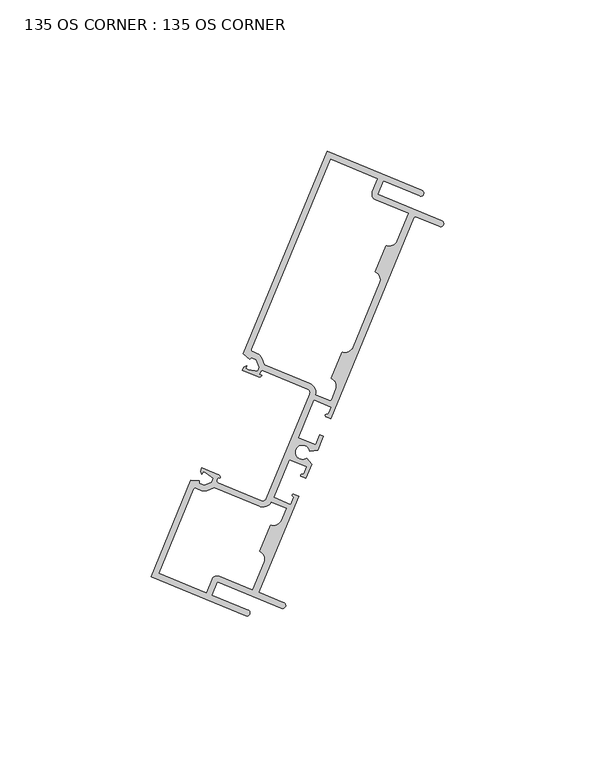
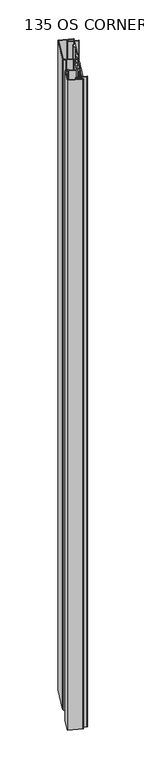
"""IFC4 building model written with IfcOpenShell, lengths in millimetres: plate geometry, 135 OS CORNER : 135 OS CORNER."""

from ifc_helpers import new_model, si_unit, frame, origin, place, context, project, spatial, polyline, circle_curve, source, transform, mapped, element, save
from ifc_brep_helpers import plane_surface, cylinder_surface, revolved_surface, extruded_surface, spline_curve, advanced_brep


def plate_135_os_corner_135_os_corner_0a813ced(model_context):
    return source(origin(), model_context, "Body", "AdvancedBrep", [
        advanced_brep(
        [(-211.5614009, 120.297961, 1710.2666667), (-242.8924083, 133.2667025, 1710.2666667), (-270.6466779, 66.2155375, 1710.2666667), (-268.5911269, 64.3742179, 1710.2666667), (-268.0701682, 64.9557884, 1710.2666667), (-266.3835161, 64.2576381, 1710.2666667), (-265.3671241, 61.8026681, 1710.2666667), (-265.9308866, 60.4406817, 1710.2666667), (-268.9519815, 60.978753, 1710.2666667), (-269.8438005, 61.3479007, 1710.2666667), (-269.4831884, 62.2190984, 1710.2666667), (-270.546587, 61.7783192, 1710.2666667), (-270.9844659, 60.7204537, 1710.2666667), (-265.7733996, 58.5634541, 1710.2666667), (-264.5122671, 59.0861941, 1710.2666667), (-265.3036097, 59.4137519, 1710.2666667), (-264.9441764, 60.2821019, 1710.2666667), (-264.1145931, 60.6259646, 1710.2666667), (-249.3709779, 54.5231882, 1710.2666667), (-248.6832526, 52.8640215, 1710.2666667), (-263.0218235, 18.2236618, 1710.2666667), (-264.6809901, 17.5359365, 1710.2666667), (-279.1495789, 23.5248722, 1710.2666667), (-279.4934416, 24.3544555, 1710.2666667), (-279.1340083, 25.2228055, 1710.2666667), (-278.4114223, 24.9237078, 1710.2666667), (-278.9341623, 26.1848404, 1710.2666667), (-284.3514983, 28.4272206, 1710.2666667), (-284.7893771, 27.369355, 1710.2666667), (-284.3485979, 26.3059564, 1710.2666667), (-283.9879859, 27.1771541, 1710.2666667), (-283.096167, 26.8080064, 1710.2666667), (-280.5785969, 25.0534762, 1710.2666667), (-281.1423595, 23.6914899, 1710.2666667), (-283.5964847, 22.6730598, 1710.2666667), (-285.2831367, 23.3712101, 1710.2666667), (-285.2406595, 24.1508369, 1710.2666667), (-287.996237, 24.300972, 1710.2666667), (-301.1788869, -7.5468139, 1710.2666667), (-269.8478795, -20.5155554, 1710.2666667), (-269.0707265, -18.6380418, 1710.2666667), (-281.1102821, -13.6545479, 1710.2666667), (-279.2839724, -9.2423911, 1710.2666667), (-258.0446004, -18.0339349, 1710.2666667), (-257.2674473, -16.1564214, 1710.2666667), (-265.528507, -12.736948, 1710.2666667), (-252.3620755, 19.0716559, 1710.2666667), (-253.8992898, 19.70795, 1710.2666667), (-253.9088526, 18.6554511, 1710.2666667), (-254.9037739, 16.251834, 1710.2666667), (-260.6536592, 18.6318652, 1710.2666667), (-255.4855914, 31.1173303, 1710.2666667), (-249.7357062, 28.7372991, 1710.2666667), (-250.7321073, 26.330107, 1710.2666667), (-251.4692067, 25.5787549, 1710.2666667), (-249.9319924, 24.9424608, 1710.2666667), (-248.0142985, 29.5753916, 1710.2666667), (-249.6257903, 31.6744643, 1710.2666667), (-248.7029211, 33.9040116, 1710.2666667), (-246.079325, 34.2500681, 1710.2666667), (-244.1616311, 38.8829989, 1710.2666667), (-245.335077, 39.3687196, 1710.2666667), (-246.7048093, 36.059602, 1710.2666667), (-252.4546945, 38.4396332, 1710.2666667), (-247.2866268, 50.9250983, 1710.2666667), (-241.5367415, 48.5450671, 1710.2666667), (-242.350093, 46.5801023, 1710.2666667), (-242.9690952, 46.1140594, 1710.2666667), (-243.270242, 45.3865229, 1710.2666667), (-241.7330278, 44.7502288, 1710.2666667), (-214.1975481, 111.2728222, 1710.2666667), (-213.5338815, 111.5479123, 1710.2666667), (-205.7422003, 108.3227272, 1710.2666667), (-204.9650472, 110.2002407, 1710.2666667), (-226.2044193, 118.9917846, 1710.2666667), (-224.3781096, 123.4039414, 1710.2666667), (-212.3385539, 118.4204475, 1710.2666667), (-216.1154626, 112.6164977, 1710.2666667), (-219.8506545, 103.5926982, 1710.2666667), (-223.500821, 102.0797025, 1710.2666667), (-227.143726, 93.2788578, 1710.2666667), (-225.6307303, 89.6286912, 1710.2666667), (-234.4271313, 68.3775847, 1710.2666667), (-238.0772979, 66.864589, 1710.2666667), (-241.7202028, 58.0637442, 1710.2666667), (-240.2072071, 54.4135776, 1710.2666667), (-241.6011525, 51.0459637, 1710.2666667), (-242.2648192, 50.7708736, 1710.2666667), (-246.6447514, 52.5838446, 1710.2666667), (-248.5938249, 56.4007017, 1710.2666667), (-263.4829375, 62.5637035, 1710.2666667), (-264.4053873, 64.7917673, 1710.2666667), (-265.8495344, 66.2358067, 1710.2666667), (-267.5909282, 66.9566162, 1710.2666667), (-267.8660183, 67.6202828, 1710.2666667), (-241.7920478, 130.6120359, 1710.2666667), (-226.2556232, 124.1810945, 1710.2666667), (-228.0819328, 119.7689376, 1710.2666667), (-226.9815723, 117.114271, 1710.2666667), (-284.6168091, 20.8962013, 1710.2666667), (-282.574553, 20.8971253, 1710.2666667), (-280.3472558, 21.8214247, 1710.2666667), (-265.4581431, 15.6584229, 1710.2666667), (-261.3682264, 17.003208, 1710.2666667), (-256.5225882, 14.9974688, 1710.2666667), (-258.1205849, 11.1368902, 1710.2666667), (-261.7707515, 9.6238945, 1710.2666667), (-265.4136564, 0.8230498, 1710.2666667), (-263.9006607, -2.8271168, 1710.2666667), (-267.6407097, -11.8626508, 1710.2666667), (-278.5068194, -7.3648775, 1710.2666667), (-281.161486, -8.465238, 1710.2666667), (-282.9877957, -12.8773949, 1710.2666667), (-298.5242203, -6.4464534, 1710.2666667), (-287.0218695, 21.3419206, 1710.2666667), (-286.3582028, 21.6170107, 1710.2666667), (-211.5614009, 120.297961, 0.0), (-212.3385539, 118.4204475, 0.0), (-224.3781096, 123.4039414, 0.0), (-226.2044193, 118.9917846, 0.0), (-204.9650472, 110.2002407, 0.0), (-205.7422003, 108.3227272, 0.0), (-213.5338815, 111.5479123, 0.0), (-214.1975481, 111.2728222, 0.0), (-241.7330278, 44.7502288, 0.0), (-243.270242, 45.3865229, 0.0), (-242.9690952, 46.1140594, 0.0), (-242.350093, 46.5801023, 0.0), (-241.5367415, 48.5450671, 0.0), (-247.2866268, 50.9250983, 0.0), (-252.4546945, 38.4396332, 0.0), (-246.7048093, 36.059602, 0.0), (-245.335077, 39.3687196, 0.0), (-244.1616311, 38.8829989, 0.0), (-246.079325, 34.2500681, 0.0), (-248.7029211, 33.9040116, 0.0), (-249.6257903, 31.6744643, 0.0), (-248.0142985, 29.5753916, 0.0), (-249.9319924, 24.9424608, 0.0), (-251.4692067, 25.5787549, 0.0), (-250.7321073, 26.330107, 0.0), (-249.7357062, 28.7372991, 0.0), (-255.4855914, 31.1173303, 0.0), (-260.6536592, 18.6318652, 0.0), (-254.9037739, 16.251834, 0.0), (-253.9088526, 18.6554511, 0.0), (-253.8992898, 19.70795, 0.0), (-252.3620755, 19.0716559, 0.0), (-265.528507, -12.736948, 0.0), (-257.2674473, -16.1564214, 0.0), (-258.0446004, -18.0339349, 0.0), (-279.2839724, -9.2423911, 0.0), (-281.1102821, -13.6545479, 0.0), (-269.0707265, -18.6380418, 0.0), (-269.8478795, -20.5155554, 0.0), (-301.1788869, -7.5468139, 0.0), (-287.996237, 24.300972, 0.0), (-285.2406595, 24.1508369, 0.0), (-285.2831367, 23.3712101, 0.0), (-283.5964847, 22.6730598, 0.0), (-281.1423595, 23.6914899, 0.0), (-280.5785969, 25.0534762, 0.0), (-283.096167, 26.8080064, 0.0), (-283.9879859, 27.1771541, 0.0), (-284.3485979, 26.3059564, 0.0), (-284.7893771, 27.369355, 0.0), (-284.3514983, 28.4272206, 0.0), (-278.9341623, 26.1848404, 0.0), (-278.4114223, 24.9237078, 0.0), (-279.1340083, 25.2228055, 0.0), (-279.4934416, 24.3544555, 0.0), (-279.1495789, 23.5248722, 0.0), (-264.6809901, 17.5359365, 0.0), (-263.0218235, 18.2236618, 0.0), (-248.6832526, 52.8640215, 0.0), (-249.3709779, 54.5231882, 0.0), (-264.1145931, 60.6259646, 0.0), (-264.9441764, 60.2821019, 0.0), (-265.3036097, 59.4137519, 0.0), (-264.5122671, 59.0861941, 0.0), (-265.7733996, 58.5634541, 0.0), (-270.9844659, 60.7204537, 0.0), (-270.546587, 61.7783192, 0.0), (-269.4831884, 62.2190984, 0.0), (-269.8438005, 61.3479007, 0.0), (-268.9519815, 60.978753, 0.0), (-265.9308866, 60.4406817, 0.0), (-265.3671241, 61.8026681, 0.0), (-266.3835161, 64.2576381, 0.0), (-268.0701682, 64.9557884, 0.0), (-268.5911269, 64.3742179, 0.0), (-270.6466779, 66.2155375, 0.0), (-242.8924083, 133.2667025, 0.0), (-216.1154626, 112.6164977, 0.0), (-226.9815723, 117.114271, 0.0), (-228.0819328, 119.7689376, 0.0), (-226.2556232, 124.1810945, 0.0), (-241.7920478, 130.6120359, 0.0), (-267.8660183, 67.6202828, 0.0), (-267.5909282, 66.9566162, 0.0), (-265.8495344, 66.2358067, 0.0), (-264.4053873, 64.7917673, 0.0), (-263.4829375, 62.5637035, 0.0), (-248.5938249, 56.4007017, 0.0), (-246.6447514, 52.5838446, 0.0), (-242.2648192, 50.7708736, 0.0), (-241.6011525, 51.0459637, 0.0), (-240.2072071, 54.4135776, 0.0), (-241.7202028, 58.0637442, 0.0), (-238.0772979, 66.864589, 0.0), (-234.4271313, 68.3775847, 0.0), (-225.6307303, 89.6286912, 0.0), (-227.143726, 93.2788578, 0.0), (-223.500821, 102.0797025, 0.0), (-219.8506545, 103.5926982, 0.0), (-284.6168091, 20.8962013, 0.0), (-286.3582028, 21.6170107, 0.0), (-287.0218695, 21.3419206, 0.0), (-298.5242203, -6.4464534, 0.0), (-282.9877957, -12.8773949, 0.0), (-281.161486, -8.465238, 0.0), (-278.5068194, -7.3648775, 0.0), (-267.6407097, -11.8626508, 0.0), (-263.9006607, -2.8271168, 0.0), (-265.4136564, 0.8230498, 0.0), (-261.7707515, 9.6238945, 0.0), (-258.1205849, 11.1368902, 0.0), (-256.5225882, 14.9974688, 0.0), (-261.3682264, 17.003208, 0.0), (-265.4581431, 15.6584229, 0.0), (-280.3472558, 21.8214247, 0.0), (-282.574553, 20.8971253, 0.0)],
        [
            (0, 1),
            (1, 2),
            (2, 3),
            (3, 4),
            (4, 5),
            (5, 6),
            (6, 7),
            (7, 8),
            (8, 9),
            (9, 10),
            (10, 11),
            (11, 12),
            (12, 13),
            (13, 14, circle_curve(frame((-265.4042034, 59.4553903, 1710.2666667), z_axis=(0.0, 0.0, 1.0), x_axis=(0.0, 1.0, 0.0)), 0.965327)),
            (14, 15),
            (15, 16),
            (16, 17, circle_curve(frame((-264.3574534, 60.0392416, 1710.2666667), z_axis=(0.0, 0.0, -1.0), x_axis=(0.0, 1.0, 0.0)), 0.635)),
            (17, 18),
            (18, 19, circle_curve(frame((-249.8566986, 53.3497422, 1710.2666667), z_axis=(0.0, 0.0, -1.0), x_axis=(0.0, 1.0, 0.0)), 1.27)),
            (19, 20),
            (20, 21, circle_curve(frame((-264.1952694, 18.7093824, 1710.2666667), z_axis=(0.0, 0.0, -1.0), x_axis=(0.0, 1.0, 0.0)), 1.27)),
            (21, 22),
            (22, 23, circle_curve(frame((-278.9067186, 24.1115951, 1710.2666667), z_axis=(0.0, 0.0, -1.0), x_axis=(0.0, 1.0, 0.0)), 0.635)),
            (23, 24),
            (24, 25),
            (25, 26, circle_curve(frame((-279.3033585, 25.2929041, 1710.2666667), z_axis=(0.0, 0.0, 1.0), x_axis=(0.0, 1.0, 0.0)), 0.965327)),
            (26, 27),
            (27, 28),
            (28, 29),
            (29, 30),
            (30, 31),
            (31, 32),
            (32, 33),
            (33, 34),
            (34, 35),
            (35, 36),
            (36, 37),
            (37, 38),
            (38, 39),
            (39, 40, circle_curve(frame((-269.459303, -19.5767986, 1710.2666667), z_axis=(0.0, 0.0, 1.0), x_axis=(0.0, 1.0, 0.0)), 1.016)),
            (40, 41),
            (41, 42),
            (42, 43),
            (43, 44, circle_curve(frame((-257.6560239, -17.0951782, 1710.2666667), z_axis=(0.0, 0.0, 1.0), x_axis=(0.0, 1.0, 0.0)), 1.016)),
            (44, 45),
            (45, 46),
            (46, 47),
            (47, 48, spline_curve(3, [(-253.8992898, 19.70795, 1710.2666667), (-254.137013753, 19.760591067, 1710.2666667), (-254.18681418, 19.747899719, 1710.2666667), (-254.278599059, 19.704231868, 1710.2666667), (-254.302234275, 19.66711204, 1710.2666667), (-254.38767941, 19.501191753, 1710.2666667), (-254.461958133, 19.338387899, 1710.2666667), (-254.346148053, 19.05915554, 1710.2666667), (-254.101677949, 18.957962789, 1710.2666667), (-253.9088526, 18.6554511, 1710.2666667)], [4, 2, 2, 2, 4], [0.0, 0.0005581775979920252, 0.0014141886036385456, 0.002659292844354508, 0.004147214338502557])),
            (48, 49),
            (49, 50),
            (50, 51),
            (51, 52),
            (52, 53),
            (53, 54, spline_curve(3, [(-250.7321073, 26.330107, 1710.2666667), (-251.082325456, 26.252375534, 1710.2666667), (-251.326795696, 26.35356823, 1710.2666667), (-251.606076261, 26.237874451, 1710.2666667), (-251.668590813, 26.070201116, 1710.2666667), (-251.725408291, 25.892431077, 1710.2666667), (-251.734922404, 25.849466045, 1710.2666667), (-251.700851628, 25.753703174, 1710.2666667), (-251.674589839, 25.709527703, 1710.2666667), (-251.4692067, 25.5787549, 1710.2666667)], [4, 2, 2, 2, 4], [0.0, 0.0014879214941480494, 0.0027330257348640117, 0.003589036740510532, 0.004147214338502557])),
            (54, 55),
            (55, 56),
            (56, 57),
            (57, 58, circle_curve(frame((-251.0952004, 33.5884661, 1710.2666667), z_axis=(0.0, 0.0, -1.0), x_axis=(0.0, 1.0, 0.0)), 2.413)),
            (58, 59),
            (59, 60),
            (60, 61),
            (61, 62),
            (62, 63),
            (63, 64),
            (64, 65),
            (65, 66),
            (66, 67, circle_curve(frame((-243.0545842, 46.8717101, 1710.2666667), z_axis=(0.0, 0.0, -1.0), x_axis=(0.0, 1.0, 0.0)), 0.7624585)),
            (67, 68, circle_curve(frame((-243.1196686, 45.7502911, 1710.2666667), z_axis=(0.0, 0.0, 1.0), x_axis=(0.0, 1.0, 0.0)), 0.3937)),
            (68, 69),
            (69, 70),
            (70, 71, circle_curve(frame((-213.7281698, 111.0785339, 1710.2666667), z_axis=(0.0, 0.0, -1.0), x_axis=(0.0, 1.0, 0.0)), 0.508)),
            (71, 72),
            (72, 73, circle_curve(frame((-205.3536237, 109.2614839, 1710.2666667), z_axis=(0.0, 0.0, 1.0), x_axis=(0.0, 1.0, 0.0)), 1.016)),
            (73, 74),
            (74, 75),
            (75, 76),
            (76, 0, circle_curve(frame((-211.9499774, 119.3592043, 1710.2666667), z_axis=(0.0, 0.0, 1.0), x_axis=(0.0, 1.0, 0.0)), 1.016)),
            (77, 78),
            (78, 79, circle_curve(frame((-222.4322356, 104.6612837, 1710.2666667), z_axis=(0.0, 0.0, -1.0), x_axis=(0.0, 1.0, 0.0)), 2.794)),
            (79, 80),
            (80, 81, circle_curve(frame((-228.2123114, 90.6972766, 1710.2666667), z_axis=(0.0, 0.0, -1.0), x_axis=(0.0, 1.0, 0.0)), 2.794)),
            (81, 82),
            (82, 83, circle_curve(frame((-237.0087125, 69.4461701, 1710.2666667), z_axis=(0.0, 0.0, -1.0), x_axis=(0.0, 1.0, 0.0)), 2.794)),
            (83, 84),
            (84, 85, circle_curve(frame((-242.7887883, 55.4821631, 1710.2666667), z_axis=(0.0, 0.0, -1.0), x_axis=(0.0, 1.0, 0.0)), 2.794)),
            (85, 86),
            (86, 87, circle_curve(frame((-242.0705309, 51.240252, 1710.2666667), z_axis=(0.0, 0.0, -1.0), x_axis=(0.0, 1.0, 0.0)), 0.508)),
            (87, 88),
            (88, 89, circle_curve(frame((-249.8566986, 53.3497422, 1710.2666667), z_axis=(0.0, 0.0, 1.0), x_axis=(0.0, 1.0, 0.0)), 3.302)),
            (89, 90),
            (90, 91),
            (91, 92, circle_curve(frame((-266.8695478, 63.7715702, 1710.2666667), z_axis=(0.0, 0.0, 1.0), x_axis=(0.0, 1.0, 0.0)), 2.667)),
            (92, 93),
            (93, 94, circle_curve(frame((-267.3966399, 67.4259945, 1710.2666667), z_axis=(0.0, 0.0, -1.0), x_axis=(0.0, 1.0, 0.0)), 0.508)),
            (94, 95),
            (95, 96),
            (96, 97),
            (97, 98, circle_curve(frame((-226.2044193, 118.9917846, 1710.2666667), z_axis=(0.0, 0.0, 1.0), x_axis=(0.0, 1.0, 0.0)), 2.032)),
            (98, 77),
            (99, 100, circle_curve(frame((-283.5967957, 23.3604379, 1710.2666667), z_axis=(0.0, 0.0, 1.0), x_axis=(0.0, 1.0, 0.0)), 2.667)),
            (100, 101),
            (101, 102),
            (102, 103, circle_curve(frame((-264.1952694, 18.7093824, 1710.2666667), z_axis=(0.0, 0.0, 1.0), x_axis=(0.0, 1.0, 0.0)), 3.302)),
            (103, 104),
            (104, 105),
            (105, 106, circle_curve(frame((-260.702166, 12.2054757, 1710.2666667), z_axis=(0.0, 0.0, -1.0), x_axis=(0.0, 1.0, 0.0)), 2.794)),
            (106, 107),
            (107, 108, circle_curve(frame((-266.4822418, -1.7585314, 1710.2666667), z_axis=(0.0, 0.0, -1.0), x_axis=(0.0, 1.0, 0.0)), 2.794)),
            (108, 109),
            (109, 110),
            (110, 111, circle_curve(frame((-279.2839724, -9.2423911, 1710.2666667), z_axis=(0.0, 0.0, 1.0), x_axis=(0.0, 1.0, 0.0)), 2.032)),
            (111, 112),
            (112, 113),
            (113, 114),
            (114, 115, circle_curve(frame((-286.5524911, 21.1476324, 1710.2666667), z_axis=(0.0, 0.0, -1.0), x_axis=(0.0, 1.0, 0.0)), 0.508)),
            (115, 99),
            (116, 117, circle_curve(frame((-211.9499774, 119.3592043, 0.0), z_axis=(0.0, 0.0, -1.0), x_axis=(0.0, 1.0, 0.0)), 1.016)),
            (117, 118),
            (118, 119),
            (119, 120),
            (120, 121, circle_curve(frame((-205.3536237, 109.2614839, 0.0), z_axis=(0.0, 0.0, -1.0), x_axis=(0.0, 1.0, 0.0)), 1.016)),
            (121, 122),
            (122, 123, circle_curve(frame((-213.7281698, 111.0785339, 0.0), z_axis=(0.0, 0.0, 1.0), x_axis=(0.0, 1.0, 0.0)), 0.508)),
            (123, 124),
            (124, 125),
            (125, 126, circle_curve(frame((-243.1196686, 45.7502911, 0.0), z_axis=(0.0, 0.0, -1.0), x_axis=(0.0, 1.0, 0.0)), 0.3937)),
            (126, 127, circle_curve(frame((-243.0545842, 46.8717101, 0.0), z_axis=(0.0, 0.0, 1.0), x_axis=(0.0, 1.0, 0.0)), 0.7624585)),
            (127, 128),
            (128, 129),
            (129, 130),
            (130, 131),
            (131, 132),
            (132, 133),
            (133, 134),
            (134, 135),
            (135, 136, circle_curve(frame((-251.0952004, 33.5884661, 0.0), z_axis=(0.0, 0.0, 1.0), x_axis=(0.0, 1.0, 0.0)), 2.413)),
            (136, 137),
            (137, 138),
            (138, 139),
            (139, 140, spline_curve(3, [(-251.4692067, 25.5787549, 0.0), (-251.674589839, 25.709527703, 0.0), (-251.700851628, 25.753703174, 0.0), (-251.734922404, 25.849466045, 0.0), (-251.725408291, 25.892431077, 0.0), (-251.668590813, 26.070201116, 0.0), (-251.606076261, 26.237874451, 0.0), (-251.326795696, 26.35356823, 0.0), (-251.082325456, 26.252375534, 0.0), (-250.7321073, 26.330107, 0.0)], [4, 2, 2, 2, 4], [0.0, 0.0005581775979920252, 0.0014141886036385456, 0.002659292844354508, 0.004147214338502557])),
            (140, 141),
            (141, 142),
            (142, 143),
            (143, 144),
            (144, 145),
            (145, 146, spline_curve(3, [(-253.9088526, 18.6554511, 0.0), (-254.101677949, 18.957962789, 0.0), (-254.346148053, 19.05915554, 0.0), (-254.461958133, 19.338387899, 0.0), (-254.38767941, 19.501191753, 0.0), (-254.302234275, 19.66711204, 0.0), (-254.278599059, 19.704231868, 0.0), (-254.18681418, 19.747899719, 0.0), (-254.137013753, 19.760591067, 0.0), (-253.8992898, 19.70795, 0.0)], [4, 2, 2, 2, 4], [0.0, 0.0014879214941480494, 0.0027330257348640117, 0.003589036740510532, 0.004147214338502557])),
            (146, 147),
            (147, 148),
            (148, 149),
            (149, 150, circle_curve(frame((-257.6560239, -17.0951782, 0.0), z_axis=(0.0, 0.0, -1.0), x_axis=(0.0, 1.0, 0.0)), 1.016)),
            (150, 151),
            (151, 152),
            (152, 153),
            (153, 154, circle_curve(frame((-269.459303, -19.5767986, 0.0), z_axis=(0.0, 0.0, -1.0), x_axis=(0.0, 1.0, 0.0)), 1.016)),
            (154, 155),
            (155, 156),
            (156, 157),
            (157, 158),
            (158, 159),
            (159, 160),
            (160, 161),
            (161, 162),
            (162, 163),
            (163, 164),
            (164, 165),
            (165, 166),
            (166, 167),
            (167, 168, circle_curve(frame((-279.3033585, 25.2929041, 0.0), z_axis=(0.0, 0.0, -1.0), x_axis=(0.0, 1.0, 0.0)), 0.965327)),
            (168, 169),
            (169, 170),
            (170, 171, circle_curve(frame((-278.9067186, 24.1115951, 0.0), z_axis=(0.0, 0.0, 1.0), x_axis=(0.0, 1.0, 0.0)), 0.635)),
            (171, 172),
            (172, 173, circle_curve(frame((-264.1952694, 18.7093824, 0.0), z_axis=(0.0, 0.0, 1.0), x_axis=(0.0, 1.0, 0.0)), 1.27)),
            (173, 174),
            (174, 175, circle_curve(frame((-249.8566986, 53.3497422, 0.0), z_axis=(0.0, 0.0, 1.0), x_axis=(0.0, 1.0, 0.0)), 1.27)),
            (175, 176),
            (176, 177, circle_curve(frame((-264.3574534, 60.0392416, 0.0), z_axis=(0.0, 0.0, 1.0), x_axis=(0.0, 1.0, 0.0)), 0.635)),
            (177, 178),
            (178, 179),
            (179, 180, circle_curve(frame((-265.4042034, 59.4553903, 0.0), z_axis=(0.0, 0.0, -1.0), x_axis=(0.0, 1.0, 0.0)), 0.965327)),
            (180, 181),
            (181, 182),
            (182, 183),
            (183, 184),
            (184, 185),
            (185, 186),
            (186, 187),
            (187, 188),
            (188, 189),
            (189, 190),
            (190, 191),
            (191, 192),
            (192, 116),
            (193, 194),
            (194, 195, circle_curve(frame((-226.2044193, 118.9917846, 0.0), z_axis=(0.0, 0.0, -1.0), x_axis=(0.0, 1.0, 0.0)), 2.032)),
            (195, 196),
            (196, 197),
            (197, 198),
            (198, 199, circle_curve(frame((-267.3966399, 67.4259945, 0.0), z_axis=(0.0, 0.0, 1.0), x_axis=(0.0, 1.0, 0.0)), 0.508)),
            (199, 200),
            (200, 201, circle_curve(frame((-266.8695478, 63.7715702, 0.0), z_axis=(0.0, 0.0, -1.0), x_axis=(0.0, 1.0, 0.0)), 2.667)),
            (201, 202),
            (202, 203),
            (203, 204, circle_curve(frame((-249.8566986, 53.3497422, 0.0), z_axis=(0.0, 0.0, -1.0), x_axis=(0.0, 1.0, 0.0)), 3.302)),
            (204, 205),
            (205, 206, circle_curve(frame((-242.0705309, 51.240252, 0.0), z_axis=(0.0, 0.0, 1.0), x_axis=(0.0, 1.0, 0.0)), 0.508)),
            (206, 207),
            (207, 208, circle_curve(frame((-242.7887883, 55.4821631, 0.0), z_axis=(0.0, 0.0, 1.0), x_axis=(0.0, 1.0, 0.0)), 2.794)),
            (208, 209),
            (209, 210, circle_curve(frame((-237.0087125, 69.4461701, 0.0), z_axis=(0.0, 0.0, 1.0), x_axis=(0.0, 1.0, 0.0)), 2.794)),
            (210, 211),
            (211, 212, circle_curve(frame((-228.2123114, 90.6972766, 0.0), z_axis=(0.0, 0.0, 1.0), x_axis=(0.0, 1.0, 0.0)), 2.794)),
            (212, 213),
            (213, 214, circle_curve(frame((-222.4322356, 104.6612837, 0.0), z_axis=(0.0, 0.0, 1.0), x_axis=(0.0, 1.0, 0.0)), 2.794)),
            (214, 193),
            (215, 216),
            (216, 217, circle_curve(frame((-286.5524911, 21.1476324, 0.0), z_axis=(0.0, 0.0, 1.0), x_axis=(0.0, 1.0, 0.0)), 0.508)),
            (217, 218),
            (218, 219),
            (219, 220),
            (220, 221, circle_curve(frame((-279.2839724, -9.2423911, 0.0), z_axis=(0.0, 0.0, -1.0), x_axis=(0.0, 1.0, 0.0)), 2.032)),
            (221, 222),
            (222, 223),
            (223, 224, circle_curve(frame((-266.4822418, -1.7585314, 0.0), z_axis=(0.0, 0.0, 1.0), x_axis=(0.0, 1.0, 0.0)), 2.794)),
            (224, 225),
            (225, 226, circle_curve(frame((-260.702166, 12.2054757, 0.0), z_axis=(0.0, 0.0, 1.0), x_axis=(0.0, 1.0, 0.0)), 2.794)),
            (226, 227),
            (227, 228),
            (228, 229, circle_curve(frame((-264.1952694, 18.7093824, 0.0), z_axis=(0.0, 0.0, -1.0), x_axis=(0.0, 1.0, 0.0)), 3.302)),
            (229, 230),
            (230, 231),
            (231, 215, circle_curve(frame((-283.5967957, 23.3604379, 0.0), z_axis=(0.0, 0.0, -1.0), x_axis=(0.0, 1.0, 0.0)), 2.667)),
            (76, 117),
            (116, 0),
            (75, 118),
            (74, 119),
            (73, 120),
            (72, 121),
            (71, 122),
            (70, 123),
            (69, 124),
            (68, 125),
            (67, 126),
            (66, 127),
            (65, 128),
            (64, 129),
            (63, 130),
            (62, 131),
            (61, 132),
            (60, 133),
            (59, 134),
            (58, 135),
            (57, 136),
            (56, 137),
            (55, 138),
            (54, 139),
            (53, 140),
            (52, 141),
            (51, 142),
            (50, 143),
            (49, 144),
            (48, 145),
            (47, 146),
            (46, 147),
            (45, 148),
            (44, 149),
            (43, 150),
            (42, 151),
            (41, 152),
            (40, 153),
            (39, 154),
            (38, 155),
            (37, 156),
            (36, 157),
            (35, 158),
            (34, 159),
            (33, 160),
            (32, 161),
            (31, 162),
            (30, 163),
            (29, 164),
            (28, 165),
            (27, 166),
            (26, 167),
            (25, 168),
            (24, 169),
            (23, 170),
            (22, 171),
            (21, 172),
            (20, 173),
            (19, 174),
            (18, 175),
            (17, 176),
            (16, 177),
            (15, 178),
            (14, 179),
            (13, 180),
            (12, 181),
            (11, 182),
            (10, 183),
            (9, 184),
            (8, 185),
            (7, 186),
            (6, 187),
            (5, 188),
            (4, 189),
            (3, 190),
            (2, 191),
            (1, 192),
            (98, 194),
            (193, 77),
            (97, 195),
            (96, 196),
            (95, 197),
            (94, 198),
            (93, 199),
            (92, 200),
            (91, 201),
            (90, 202),
            (89, 203),
            (88, 204),
            (87, 205),
            (86, 206),
            (85, 207),
            (84, 208),
            (83, 209),
            (82, 210),
            (81, 211),
            (80, 212),
            (79, 213),
            (78, 214),
            (115, 216),
            (215, 99),
            (114, 217),
            (113, 218),
            (112, 219),
            (111, 220),
            (110, 221),
            (109, 222),
            (108, 223),
            (107, 224),
            (106, 225),
            (105, 226),
            (104, 227),
            (103, 228),
            (102, 229),
            (101, 230),
            (100, 231),
        ],
        [
            plane_surface(frame((-203.2, 0.0, 1710.2666667), z_axis=(0.0, 0.0, 1.0), x_axis=(0.0, 1.0, 0.0))),
            plane_surface(frame((-203.2, 0.0, 0.0), z_axis=(0.0, 0.0, -1.0), x_axis=(0.0, 1.0, 0.0))),
            cylinder_surface(frame((-211.9499774, 119.3592043, 1710.2666667), z_axis=(0.0, 0.0, 1.0), x_axis=(0.0, 1.0, 0.0)), 1.016),
            plane_surface(frame((-212.3385539, 118.4204475, 1710.2666667), z_axis=(-0.3824572086876382, -0.9239732049809997, 0.0), x_axis=(0.0, 0.0, -1.0))),
            plane_surface(frame((-224.3781096, 123.4039414, 1710.2666667), z_axis=(0.9239732049809974, -0.38245720868764366, 0.0), x_axis=(0.0, 0.0, -1.0))),
            plane_surface(frame((-226.2044193, 118.9917846, 1710.2666667), z_axis=(0.38245720868763866, 0.9239732049809994, 0.0), x_axis=(0.0, 0.0, -1.0))),
            cylinder_surface(frame((-205.3536237, 109.2614839, 1710.2666667), z_axis=(0.0, 0.0, 1.0), x_axis=(0.0, 1.0, 0.0)), 1.016),
            plane_surface(frame((-205.7422003, 108.3227272, 1710.2666667), z_axis=(-0.3824572086876359, -0.9239732049810007, 0.0), x_axis=(0.0, 0.0, -1.0))),
            revolved_surface(polyline([(-213.7281698, 111.58653389999999, 0.0), (-213.7281698, 111.58653389999999, 1710.2666667)]), (-213.7281698, 111.0785339, 1710.2666667), (0.0, 0.0, -1.0)),
            plane_surface(frame((-214.1975481, 111.2728222, 1710.2666667), z_axis=(0.9239732049809996, -0.3824572086876386, 0.0), x_axis=(0.0, 0.0, -1.0))),
            plane_surface(frame((-241.7330278, 44.7502288, 1710.2666667), z_axis=(-0.382457208687629, -0.9239732049810034, 0.0), x_axis=(0.0, 0.0, -1.0))),
            cylinder_surface(frame((-243.1196686, 45.7502911, 1710.2666667), z_axis=(0.0, 0.0, 1.0), x_axis=(0.0, 1.0, 0.0)), 0.3937),
            revolved_surface(polyline([(-243.0545842, 47.6341686, 0.0), (-243.0545842, 47.6341686, 1710.2666667)]), (-243.0545842, 46.8717101, 1710.2666667), (0.0, 0.0, -1.0)),
            plane_surface(frame((-242.350093, 46.5801023, 1710.2666667), z_axis=(-0.9239732049810123, 0.3824572086876077, 0.0), x_axis=(0.0, 0.0, -1.0))),
            plane_surface(frame((-241.5367415, 48.5450671, 1710.2666667), z_axis=(-0.38245720868763877, -0.9239732049809994, 0.0), x_axis=(0.0, 0.0, -1.0))),
            plane_surface(frame((-247.2866268, 50.9250983, 1710.2666667), z_axis=(0.923973204980999, -0.3824572086876399, 0.0), x_axis=(0.0, 0.0, -1.0))),
            plane_surface(frame((-252.4546945, 38.4396332, 1710.2666667), z_axis=(0.38245720868765615, 0.9239732049809922, 0.0), x_axis=(0.0, 0.0, -1.0))),
            plane_surface(frame((-246.7048093, 36.059602, 1710.2666667), z_axis=(-0.9239732049809973, 0.38245720868764377, 0.0), x_axis=(0.0, 0.0, -1.0))),
            plane_surface(frame((-245.335077, 39.3687196, 1710.2666667), z_axis=(0.3824572086876004, 0.9239732049810153, 0.0), x_axis=(0.0, 0.0, -1.0))),
            plane_surface(frame((-244.1616311, 38.8829989, 1710.2666667), z_axis=(0.9239732049809997, -0.3824572086876381, 0.0), x_axis=(0.0, 0.0, -1.0))),
            plane_surface(frame((-246.079325, 34.2500681, 1710.2666667), z_axis=(0.13076894390659252, -0.9914128722734815, 0.0), x_axis=(0.0, 0.0, -1.0))),
            revolved_surface(polyline([(-251.0952004, 36.001466099999995, 0.0), (-251.0952004, 36.001466099999995, 1710.2666667)]), (-251.0952004, 33.5884661, 1710.2666667), (0.0, 0.0, -1.0)),
            plane_surface(frame((-249.6257903, 31.6744643, 1710.2666667), z_axis=(0.7932042610744238, 0.6089556635859277, 0.0), x_axis=(0.0, 0.0, -1.0))),
            plane_surface(frame((-248.0142985, 29.5753916, 1710.2666667), z_axis=(0.9239732049810021, -0.38245720868763217, 0.0), x_axis=(0.0, 0.0, -1.0))),
            plane_surface(frame((-249.9319924, 24.9424608, 1710.2666667), z_axis=(-0.38245720868762256, -0.9239732049810062, 0.0), x_axis=(0.0, 0.0, -1.0))),
            extruded_surface(spline_curve(3, [(-251.4692067, 25.5787549, 1710.2666667), (-251.674589839, 25.709527703, 1710.2666667), (-251.700851628, 25.753703174, 1710.2666667), (-251.734922404, 25.849466045, 1710.2666667), (-251.725408291, 25.892431077, 1710.2666667), (-251.668590813, 26.070201116, 1710.2666667), (-251.606076261, 26.237874451, 1710.2666667), (-251.326795696, 26.35356823, 1710.2666667), (-251.082325456, 26.252375534, 1710.2666667), (-250.7321073, 26.330107, 1710.2666667)], [4, 2, 2, 2, 4], [0.0, 0.0005581775979920252, 0.0014141886036385456, 0.002659292844354508, 0.004147214338502557]), (0.0, 0.0, -1710.2666667), 1710.2666667),
            plane_surface(frame((-250.7321073, 26.330107, 1710.2666667), z_axis=(-0.9239732049810034, 0.3824572086876292, 0.0), x_axis=(0.0, 0.0, -1.0))),
            plane_surface(frame((-249.7357062, 28.7372991, 1710.2666667), z_axis=(-0.3824572086876391, -0.9239732049809994, 0.0), x_axis=(0.0, 0.0, -1.0))),
            plane_surface(frame((-255.4855914, 31.1173303, 1710.2666667), z_axis=(0.9239732049809994, -0.3824572086876389, 0.0), x_axis=(0.0, 0.0, -1.0))),
            plane_surface(frame((-260.6536592, 18.6318652, 1710.2666667), z_axis=(0.3824572086876485, 0.9239732049809954, 0.0), x_axis=(0.0, 0.0, -1.0))),
            plane_surface(frame((-254.9037739, 16.251834, 1710.2666667), z_axis=(-0.9239732049809949, 0.3824572086876499, 0.0), x_axis=(0.0, 0.0, -1.0))),
            extruded_surface(spline_curve(3, [(-253.9088526, 18.6554511, 1710.2666667), (-254.101677949, 18.957962789, 1710.2666667), (-254.346148053, 19.05915554, 1710.2666667), (-254.461958133, 19.338387899, 1710.2666667), (-254.38767941, 19.501191753, 1710.2666667), (-254.302234275, 19.66711204, 1710.2666667), (-254.278599059, 19.704231868, 1710.2666667), (-254.18681418, 19.747899719, 1710.2666667), (-254.137013753, 19.760591067, 1710.2666667), (-253.8992898, 19.70795, 1710.2666667)], [4, 2, 2, 2, 4], [0.0, 0.0014879214941480494, 0.0027330257348640117, 0.003589036740510532, 0.004147214338502557]), (0.0, 0.0, -1710.2666667), 1710.2666667),
            plane_surface(frame((-253.8992898, 19.70795, 1710.2666667), z_axis=(0.38245720868764693, 0.9239732049809961, 0.0), x_axis=(0.0, 0.0, -1.0))),
            plane_surface(frame((-252.3620755, 19.0716559, 1710.2666667), z_axis=(0.9239732049809999, -0.38245720868763766, 0.0), x_axis=(0.0, 0.0, -1.0))),
            plane_surface(frame((-265.528507, -12.736948, 1710.2666667), z_axis=(0.38245720868763877, 0.9239732049809994, 0.0), x_axis=(0.0, 0.0, -1.0))),
            cylinder_surface(frame((-257.6560239, -17.0951782, 1710.2666667), z_axis=(0.0, 0.0, 1.0), x_axis=(0.0, 1.0, 0.0)), 1.016),
            plane_surface(frame((-258.0446004, -18.0339349, 1710.2666667), z_axis=(-0.38245720868763894, -0.9239732049809993, 0.0), x_axis=(0.0, 0.0, -1.0))),
            plane_surface(frame((-279.2839724, -9.2423911, 1710.2666667), z_axis=(0.9239732049809987, -0.38245720868764055, 0.0), x_axis=(0.0, 0.0, -1.0))),
            plane_surface(frame((-281.1102821, -13.6545479, 1710.2666667), z_axis=(0.38245720868763894, 0.9239732049809993, 0.0), x_axis=(0.0, 0.0, -1.0))),
            cylinder_surface(frame((-269.459303, -19.5767986, 1710.2666667), z_axis=(0.0, 0.0, 1.0), x_axis=(0.0, 1.0, 0.0)), 1.016),
            plane_surface(frame((-269.8478795, -20.5155554, 1710.2666667), z_axis=(-0.38245720868763866, -0.9239732049809994, 0.0), x_axis=(0.0, 0.0, -1.0))),
            plane_surface(frame((-301.1788869, -7.5468139, 1710.2666667), z_axis=(-0.9239732049809998, 0.3824572086876381, 0.0), x_axis=(0.0, 0.0, -1.0))),
            plane_surface(frame((-287.996237, 24.300972, 1710.2666667), z_axis=(0.05440337694813516, 0.998519039666565, 0.0), x_axis=(0.0, 0.0, -1.0))),
            plane_surface(frame((-285.2406595, 24.1508369, 1710.2666667), z_axis=(0.9985190396665645, -0.05440337694814279, 0.0), x_axis=(0.0, 0.0, -1.0))),
            plane_surface(frame((-285.2831367, 23.3712101, 1710.2666667), z_axis=(0.38245720868764616, 0.9239732049809964, 0.0), x_axis=(0.0, 0.0, -1.0))),
            plane_surface(frame((-283.5964847, 22.6730598, 1710.2666667), z_axis=(-0.3832931067279831, 0.9236267613786485, 0.0), x_axis=(0.0, 0.0, -1.0))),
            plane_surface(frame((-281.1423595, 23.6914899, 1710.2666667), z_axis=(-0.9239732049810121, 0.38245720868760835, 0.0), x_axis=(0.0, 0.0, -1.0))),
            plane_surface(frame((-280.5785969, 25.0534762, 1710.2666667), z_axis=(-0.5717619870904029, -0.8204195451830935, 0.0), x_axis=(0.0, 0.0, -1.0))),
            plane_surface(frame((-283.096167, 26.8080064, 1710.2666667), z_axis=(-0.3824572086876911, -0.9239732049809778, 0.0), x_axis=(0.0, 0.0, -1.0))),
            plane_surface(frame((-283.9879859, 27.1771541, 1710.2666667), z_axis=(0.9239732049809994, -0.38245720868763866, 0.0), x_axis=(0.0, 0.0, -1.0))),
            plane_surface(frame((-284.3485979, 26.3059564, 1710.2666667), z_axis=(-0.9237858046534388, -0.38290963310002873, 0.0), x_axis=(0.0, 0.0, -1.0))),
            plane_surface(frame((-284.7893771, 27.369355, 1710.2666667), z_axis=(-0.9239732049809987, 0.3824572086876404, 0.0), x_axis=(0.0, 0.0, -1.0))),
            plane_surface(frame((-284.3514983, 28.4272206, 1710.2666667), z_axis=(0.382457208687633, 0.9239732049810018, 0.0), x_axis=(0.0, 0.0, -1.0))),
            cylinder_surface(frame((-279.3033585, 25.2929041, 1710.2666667), z_axis=(0.0, 0.0, 1.0), x_axis=(0.0, 1.0, 0.0)), 0.965327),
            plane_surface(frame((-278.4114223, 24.9237078, 1710.2666667), z_axis=(-0.38245720868763994, -0.923973204980999, 0.0), x_axis=(0.0, 0.0, -1.0))),
            plane_surface(frame((-279.1340083, 25.2228055, 1710.2666667), z_axis=(0.923973204980961, -0.3824572086877317, 0.0), x_axis=(0.0, 0.0, -1.0))),
            revolved_surface(polyline([(-278.9067186, 24.7465951, 0.0), (-278.9067186, 24.7465951, 1710.2666667)]), (-278.9067186, 24.1115951, 1710.2666667), (0.0, 0.0, -1.0)),
            plane_surface(frame((-279.1495789, 23.5248722, 1710.2666667), z_axis=(0.3824572086876398, 0.923973204980999, 0.0), x_axis=(0.0, 0.0, -1.0))),
            revolved_surface(polyline([(-264.1952694, 19.9793824, 0.0), (-264.1952694, 19.9793824, 1710.2666667)]), (-264.1952694, 18.7093824, 1710.2666667), (0.0, 0.0, -1.0)),
            plane_surface(frame((-263.0218235, 18.2236618, 1710.2666667), z_axis=(-0.923973204981, 0.38245720868763744, 0.0), x_axis=(0.0, 0.0, -1.0))),
            revolved_surface(polyline([(-249.8566986, 54.619742200000005, 0.0), (-249.8566986, 54.619742200000005, 1710.2666667)]), (-249.8566986, 53.3497422, 1710.2666667), (0.0, 0.0, -1.0)),
            plane_surface(frame((-249.3709779, 54.5231882, 1710.2666667), z_axis=(-0.38245720868763966, -0.923973204980999, 0.0), x_axis=(0.0, 0.0, -1.0))),
            revolved_surface(polyline([(-264.3574534, 60.674241599999995, 0.0), (-264.3574534, 60.674241599999995, 1710.2666667)]), (-264.3574534, 60.0392416, 1710.2666667), (0.0, 0.0, -1.0)),
            plane_surface(frame((-264.9441764, 60.2821019, 1710.2666667), z_axis=(0.9239732049810144, -0.38245720868760286, 0.0), x_axis=(0.0, 0.0, -1.0))),
            plane_surface(frame((-265.3036097, 59.4137519, 1710.2666667), z_axis=(0.38245720868763444, 0.9239732049810013, 0.0), x_axis=(0.0, 0.0, -1.0))),
            cylinder_surface(frame((-265.4042034, 59.4553903, 1710.2666667), z_axis=(0.0, 0.0, 1.0), x_axis=(0.0, 1.0, 0.0)), 0.965327),
            plane_surface(frame((-265.7733996, 58.5634541, 1710.2666667), z_axis=(-0.3824572086876277, -0.923973204981004, 0.0), x_axis=(0.0, 0.0, -1.0))),
            plane_surface(frame((-270.9844659, 60.7204537, 1710.2666667), z_axis=(-0.923973204980975, 0.3824572086876979, 0.0), x_axis=(0.0, 0.0, -1.0))),
            plane_surface(frame((-270.546587, 61.7783192, 1710.2666667), z_axis=(-0.3829096331000405, 0.9237858046534339, 0.0), x_axis=(0.0, 0.0, -1.0))),
            plane_surface(frame((-269.4831884, 62.2190984, 1710.2666667), z_axis=(0.923973204980987, -0.3824572086876688, 0.0), x_axis=(0.0, 0.0, -1.0))),
            plane_surface(frame((-269.8438005, 61.3479007, 1710.2666667), z_axis=(0.3824572086876275, 0.9239732049810041, 0.0), x_axis=(0.0, 0.0, -1.0))),
            plane_surface(frame((-268.9519815, 60.978753, 1710.2666667), z_axis=(0.1753453528430658, 0.9845069868905659, 0.0), x_axis=(0.0, 0.0, -1.0))),
            plane_surface(frame((-265.9308866, 60.4406817, 1710.2666667), z_axis=(-0.9239732049809904, 0.3824572086876603, 0.0), x_axis=(0.0, 0.0, -1.0))),
            plane_surface(frame((-265.3671241, 61.8026681, 1710.2666667), z_axis=(-0.9239446887167058, -0.38252609347884997, 0.0), x_axis=(0.0, 0.0, -1.0))),
            plane_surface(frame((-266.3835161, 64.2576381, 1710.2666667), z_axis=(-0.38245720868763383, -0.9239732049810014, 0.0), x_axis=(0.0, 0.0, -1.0))),
            plane_surface(frame((-268.0701682, 64.9557884, 1710.2666667), z_axis=(0.7448554111183008, -0.6672259111633684, 0.0), x_axis=(0.0, 0.0, -1.0))),
            plane_surface(frame((-268.5911269, 64.3742179, 1710.2666667), z_axis=(-0.6672259111633564, -0.7448554111183117, 0.0), x_axis=(0.0, 0.0, -1.0))),
            plane_surface(frame((-270.6466779, 66.2155375, 1710.2666667), z_axis=(-0.9239732049809992, 0.3824572086876393, 0.0), x_axis=(0.0, 0.0, -1.0))),
            plane_surface(frame((-242.8924083, 133.2667025, 1710.2666667), z_axis=(0.38245720868763916, 0.9239732049809992, 0.0), x_axis=(0.0, 0.0, -1.0))),
            plane_surface(frame((-216.1154626, 112.6164977, 1710.2666667), z_axis=(-0.3824572086876382, -0.9239732049809997, 0.0), x_axis=(0.0, 0.0, -1.0))),
            cylinder_surface(frame((-226.2044193, 118.9917846, 1710.2666667), z_axis=(0.0, 0.0, 1.0), x_axis=(0.0, 1.0, 0.0)), 2.032),
            plane_surface(frame((-228.0819328, 119.7689376, 1710.2666667), z_axis=(-0.9239732049809937, 0.38245720868765287, 0.0), x_axis=(0.0, 0.0, -1.0))),
            plane_surface(frame((-226.2556232, 124.1810945, 1710.2666667), z_axis=(-0.38245720868763866, -0.9239732049809994, 0.0), x_axis=(0.0, 0.0, -1.0))),
            plane_surface(frame((-241.7920478, 130.6120359, 1710.2666667), z_axis=(0.9239732049809997, -0.38245720868763816, 0.0), x_axis=(0.0, 0.0, -1.0))),
            revolved_surface(polyline([(-267.3966399, 67.9339945, 0.0), (-267.3966399, 67.9339945, 1710.2666667)]), (-267.3966399, 67.4259945, 1710.2666667), (0.0, 0.0, -1.0)),
            plane_surface(frame((-267.5909282, 66.9566162, 1710.2666667), z_axis=(0.38245720868762334, 0.9239732049810058, 0.0), x_axis=(0.0, 0.0, -1.0))),
            cylinder_surface(frame((-266.8695478, 63.7715702, 1710.2666667), z_axis=(0.0, 0.0, 1.0), x_axis=(0.0, 1.0, 0.0)), 2.667),
            plane_surface(frame((-264.4053873, 64.7917673, 1710.2666667), z_axis=(0.9239446887166805, 0.38252609347891114, 0.0), x_axis=(0.0, 0.0, -1.0))),
            plane_surface(frame((-263.4829375, 62.5637035, 1710.2666667), z_axis=(0.3824572086876366, 0.9239732049810003, 0.0), x_axis=(0.0, 0.0, -1.0))),
            cylinder_surface(frame((-249.8566986, 53.3497422, 1710.2666667), z_axis=(0.0, 0.0, 1.0), x_axis=(0.0, 1.0, 0.0)), 3.302),
            plane_surface(frame((-246.6447514, 52.5838446, 1710.2666667), z_axis=(0.3824572086876335, 0.9239732049810016, 0.0), x_axis=(0.0, 0.0, -1.0))),
            revolved_surface(polyline([(-242.0705309, 51.748252, 0.0), (-242.0705309, 51.748252, 1710.2666667)]), (-242.0705309, 51.240252, 1710.2666667), (0.0, 0.0, -1.0)),
            plane_surface(frame((-241.6011525, 51.0459637, 1710.2666667), z_axis=(-0.9239732049809938, 0.38245720868765265, 0.0), x_axis=(0.0, 0.0, -1.0))),
            revolved_surface(polyline([(-242.7887883, 58.2761631, 0.0), (-242.7887883, 58.2761631, 1710.2666667)]), (-242.7887883, 55.4821631, 1710.2666667), (0.0, 0.0, -1.0)),
            plane_surface(frame((-241.7202028, 58.0637442, 1710.2666667), z_axis=(-0.9239732049809993, 0.3824572086876392, 0.0), x_axis=(0.0, 0.0, -1.0))),
            revolved_surface(polyline([(-237.0087125, 72.2401701, 0.0), (-237.0087125, 72.2401701, 1710.2666667)]), (-237.0087125, 69.4461701, 1710.2666667), (0.0, 0.0, -1.0)),
            plane_surface(frame((-234.4271313, 68.3775847, 1710.2666667), z_axis=(-0.9239732049809991, 0.3824572086876396, 0.0), x_axis=(0.0, 0.0, -1.0))),
            revolved_surface(polyline([(-228.2123114, 93.49127659999999, 0.0), (-228.2123114, 93.49127659999999, 1710.2666667)]), (-228.2123114, 90.6972766, 1710.2666667), (0.0, 0.0, -1.0)),
            plane_surface(frame((-227.143726, 93.2788578, 1710.2666667), z_axis=(-0.9239732049810024, 0.3824572086876318, 0.0), x_axis=(0.0, 0.0, -1.0))),
            revolved_surface(polyline([(-222.4322356, 107.4552837, 0.0), (-222.4322356, 107.4552837, 1710.2666667)]), (-222.4322356, 104.6612837, 1710.2666667), (0.0, 0.0, -1.0)),
            plane_surface(frame((-219.8506545, 103.5926982, 1710.2666667), z_axis=(-0.9239732049809999, 0.38245720868763755, 0.0), x_axis=(0.0, 0.0, -1.0))),
            plane_surface(frame((-284.6168091, 20.8962013, 1710.2666667), z_axis=(-0.3824572086876492, -0.9239732049809951, 0.0), x_axis=(0.0, 0.0, -1.0))),
            revolved_surface(polyline([(-286.5524911, 21.6556324, 0.0), (-286.5524911, 21.6556324, 1710.2666667)]), (-286.5524911, 21.1476324, 1710.2666667), (0.0, 0.0, -1.0)),
            plane_surface(frame((-287.0218695, 21.3419206, 1710.2666667), z_axis=(0.9239732049809998, -0.38245720868763783, 0.0), x_axis=(0.0, 0.0, -1.0))),
            plane_surface(frame((-298.5242203, -6.4464534, 1710.2666667), z_axis=(0.3824572086876408, 0.9239732049809986, 0.0), x_axis=(0.0, 0.0, -1.0))),
            plane_surface(frame((-282.9877957, -12.8773949, 1710.2666667), z_axis=(-0.9239732049809998, 0.38245720868763805, 0.0), x_axis=(0.0, 0.0, -1.0))),
            cylinder_surface(frame((-279.2839724, -9.2423911, 1710.2666667), z_axis=(0.0, 0.0, 1.0), x_axis=(0.0, 1.0, 0.0)), 2.032),
            plane_surface(frame((-278.5068194, -7.3648775, 1710.2666667), z_axis=(0.3824572086876409, 0.9239732049809986, 0.0), x_axis=(0.0, 0.0, -1.0))),
            plane_surface(frame((-267.6407097, -11.8626508, 1710.2666667), z_axis=(-0.9239732049810022, 0.38245720868763206, 0.0), x_axis=(0.0, 0.0, -1.0))),
            revolved_surface(polyline([(-266.4822418, 1.0354686, 0.0), (-266.4822418, 1.0354686, 1710.2666667)]), (-266.4822418, -1.7585314, 1710.2666667), (0.0, 0.0, -1.0)),
            plane_surface(frame((-265.4136564, 0.8230498, 1710.2666667), z_axis=(-0.9239732049810025, 0.38245720868763144, 0.0), x_axis=(0.0, 0.0, -1.0))),
            revolved_surface(polyline([(-260.702166, 14.9994757, 0.0), (-260.702166, 14.9994757, 1710.2666667)]), (-260.702166, 12.2054757, 1710.2666667), (0.0, 0.0, -1.0)),
            plane_surface(frame((-258.1205849, 11.1368902, 1710.2666667), z_axis=(-0.9239732049810042, 0.3824572086876273, 0.0), x_axis=(0.0, 0.0, -1.0))),
            plane_surface(frame((-256.5225882, 14.9974688, 1710.2666667), z_axis=(-0.3824572086876516, -0.9239732049809941, 0.0), x_axis=(0.0, 0.0, -1.0))),
            cylinder_surface(frame((-264.1952694, 18.7093824, 1710.2666667), z_axis=(0.0, 0.0, 1.0), x_axis=(0.0, 1.0, 0.0)), 3.302),
            plane_surface(frame((-265.4581431, 15.6584229, 1710.2666667), z_axis=(-0.38245720868763716, -0.9239732049810001, 0.0), x_axis=(0.0, 0.0, -1.0))),
            plane_surface(frame((-280.3472558, 21.8214247, 1710.2666667), z_axis=(0.38329310672786626, -0.9236267613786971, 0.0), x_axis=(0.0, 0.0, -1.0))),
            cylinder_surface(frame((-283.5967957, 23.3604379, 1710.2666667), z_axis=(0.0, 0.0, 1.0), x_axis=(0.0, 1.0, 0.0)), 2.667),
        ],
        [
            (0, [[1, 2, 3, 4, 5, 6, 7, 8, 9, 10, 11, 12, 13, 14, 15, 16, 17, 18, 19, 20, 21, 22, 23, 24, 25, 26, 27, 28, 29, 30, 31, 32, 33, 34, 35, 36, 37, 38, 39, 40, 41, 42, 43, 44, 45, 46, 47, 48, 49, 50, 51, 52, 53, 54, 55, 56, 57, 58, 59, 60, 61, 62, 63, 64, 65, 66, 67, 68, 69, 70, 71, 72, 73, 74, 75, 76, 77], [78, 79, 80, 81, 82, 83, 84, 85, 86, 87, 88, 89, 90, 91, 92, 93, 94, 95, 96, 97, 98, 99], [100, 101, 102, 103, 104, 105, 106, 107, 108, 109, 110, 111, 112, 113, 114, 115, 116]]),
            (1, [[117, 118, 119, 120, 121, 122, 123, 124, 125, 126, 127, 128, 129, 130, 131, 132, 133, 134, 135, 136, 137, 138, 139, 140, 141, 142, 143, 144, 145, 146, 147, 148, 149, 150, 151, 152, 153, 154, 155, 156, 157, 158, 159, 160, 161, 162, 163, 164, 165, 166, 167, 168, 169, 170, 171, 172, 173, 174, 175, 176, 177, 178, 179, 180, 181, 182, 183, 184, 185, 186, 187, 188, 189, 190, 191, 192, 193], [194, 195, 196, 197, 198, 199, 200, 201, 202, 203, 204, 205, 206, 207, 208, 209, 210, 211, 212, 213, 214, 215], [216, 217, 218, 219, 220, 221, 222, 223, 224, 225, 226, 227, 228, 229, 230, 231, 232]]),
            (2, [[233, -117, 234, -77]]),
            (3, [[235, -118, -233, -76]]),
            (4, [[236, -119, -235, -75]]),
            (5, [[237, -120, -236, -74]]),
            (6, [[238, -121, -237, -73]]),
            (7, [[239, -122, -238, -72]]),
            (8, [[240, -123, -239, -71]]),
            (9, [[241, -124, -240, -70]]),
            (10, [[242, -125, -241, -69]]),
            (11, [[243, -126, -242, -68]]),
            (12, [[244, -127, -243, -67]]),
            (13, [[245, -128, -244, -66]]),
            (14, [[246, -129, -245, -65]]),
            (15, [[247, -130, -246, -64]]),
            (16, [[248, -131, -247, -63]]),
            (17, [[249, -132, -248, -62]]),
            (18, [[250, -133, -249, -61]]),
            (19, [[251, -134, -250, -60]]),
            (20, [[252, -135, -251, -59]]),
            (21, [[253, -136, -252, -58]]),
            (22, [[254, -137, -253, -57]]),
            (23, [[255, -138, -254, -56]]),
            (24, [[256, -139, -255, -55]]),
            (25, [[257, -140, -256, -54]]),
            (26, [[258, -141, -257, -53]]),
            (27, [[259, -142, -258, -52]]),
            (28, [[260, -143, -259, -51]]),
            (29, [[261, -144, -260, -50]]),
            (30, [[262, -145, -261, -49]]),
            (31, [[263, -146, -262, -48]]),
            (32, [[264, -147, -263, -47]]),
            (33, [[265, -148, -264, -46]]),
            (34, [[266, -149, -265, -45]]),
            (35, [[267, -150, -266, -44]]),
            (36, [[268, -151, -267, -43]]),
            (37, [[269, -152, -268, -42]]),
            (38, [[270, -153, -269, -41]]),
            (39, [[271, -154, -270, -40]]),
            (40, [[272, -155, -271, -39]]),
            (41, [[273, -156, -272, -38]]),
            (42, [[274, -157, -273, -37]]),
            (43, [[275, -158, -274, -36]]),
            (44, [[276, -159, -275, -35]]),
            (45, [[277, -160, -276, -34]]),
            (46, [[278, -161, -277, -33]]),
            (47, [[279, -162, -278, -32]]),
            (48, [[280, -163, -279, -31]]),
            (49, [[281, -164, -280, -30]]),
            (50, [[282, -165, -281, -29]]),
            (51, [[283, -166, -282, -28]]),
            (52, [[284, -167, -283, -27]]),
            (53, [[285, -168, -284, -26]]),
            (54, [[286, -169, -285, -25]]),
            (55, [[287, -170, -286, -24]]),
            (56, [[288, -171, -287, -23]]),
            (57, [[289, -172, -288, -22]]),
            (58, [[290, -173, -289, -21]]),
            (59, [[291, -174, -290, -20]]),
            (60, [[292, -175, -291, -19]]),
            (61, [[293, -176, -292, -18]]),
            (62, [[294, -177, -293, -17]]),
            (63, [[295, -178, -294, -16]]),
            (64, [[296, -179, -295, -15]]),
            (65, [[297, -180, -296, -14]]),
            (66, [[298, -181, -297, -13]]),
            (67, [[299, -182, -298, -12]]),
            (68, [[300, -183, -299, -11]]),
            (69, [[301, -184, -300, -10]]),
            (70, [[302, -185, -301, -9]]),
            (71, [[303, -186, -302, -8]]),
            (72, [[304, -187, -303, -7]]),
            (73, [[305, -188, -304, -6]]),
            (74, [[306, -189, -305, -5]]),
            (75, [[307, -190, -306, -4]]),
            (76, [[308, -191, -307, -3]]),
            (77, [[309, -192, -308, -2]]),
            (78, [[-234, -193, -309, -1]]),
            (79, [[310, -194, 311, -99]]),
            (80, [[312, -195, -310, -98]]),
            (81, [[313, -196, -312, -97]]),
            (82, [[314, -197, -313, -96]]),
            (83, [[315, -198, -314, -95]]),
            (84, [[316, -199, -315, -94]]),
            (85, [[317, -200, -316, -93]]),
            (86, [[318, -201, -317, -92]]),
            (87, [[319, -202, -318, -91]]),
            (88, [[320, -203, -319, -90]]),
            (89, [[321, -204, -320, -89]]),
            (90, [[322, -205, -321, -88]]),
            (91, [[323, -206, -322, -87]]),
            (92, [[324, -207, -323, -86]]),
            (93, [[325, -208, -324, -85]]),
            (94, [[326, -209, -325, -84]]),
            (95, [[327, -210, -326, -83]]),
            (96, [[328, -211, -327, -82]]),
            (97, [[329, -212, -328, -81]]),
            (98, [[330, -213, -329, -80]]),
            (99, [[331, -214, -330, -79]]),
            (100, [[-311, -215, -331, -78]]),
            (101, [[332, -216, 333, -116]]),
            (102, [[334, -217, -332, -115]]),
            (103, [[335, -218, -334, -114]]),
            (104, [[336, -219, -335, -113]]),
            (105, [[337, -220, -336, -112]]),
            (106, [[338, -221, -337, -111]]),
            (107, [[339, -222, -338, -110]]),
            (108, [[340, -223, -339, -109]]),
            (109, [[341, -224, -340, -108]]),
            (110, [[342, -225, -341, -107]]),
            (111, [[343, -226, -342, -106]]),
            (112, [[344, -227, -343, -105]]),
            (113, [[345, -228, -344, -104]]),
            (114, [[346, -229, -345, -103]]),
            (115, [[347, -230, -346, -102]]),
            (116, [[348, -231, -347, -101]]),
            (117, [[-333, -232, -348, -100]]),
        ],
    ),
    ])


if __name__ == "__main__":
    model = new_model("IFC4")
    model_context = context("Model", 3, world=origin())
    ifc_project = project(units=[si_unit("LENGTHUNIT", "METRE", prefix="MILLI")], contexts=[model_context])
    site = spatial("IfcSite", under=ifc_project)
    building = spatial("IfcBuilding", under=site)
    placement = place(None, origin())
    plate_135_os_corner_135_os_corner_shape = plate_135_os_corner_135_os_corner_0a813ced(model_context)
    element("IfcPlate", 1, ObjectType="135 OS CORNER : 135 OS CORNER", at=placement, inside=building, context=model_context, shape_type="MappedRepresentation", body=[
        mapped(plate_135_os_corner_135_os_corner_shape, transform((0.0, 0.0, 0.0), x_axis=(1.0, 0.0, 0.0), y_axis=(0.0, 1.0, 0.0), z_axis=(0.0, 0.0, 1.0))),
    ])
    save(model, "model.ifc")
